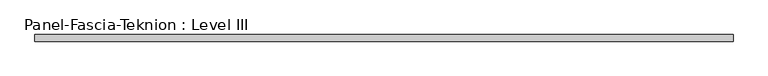
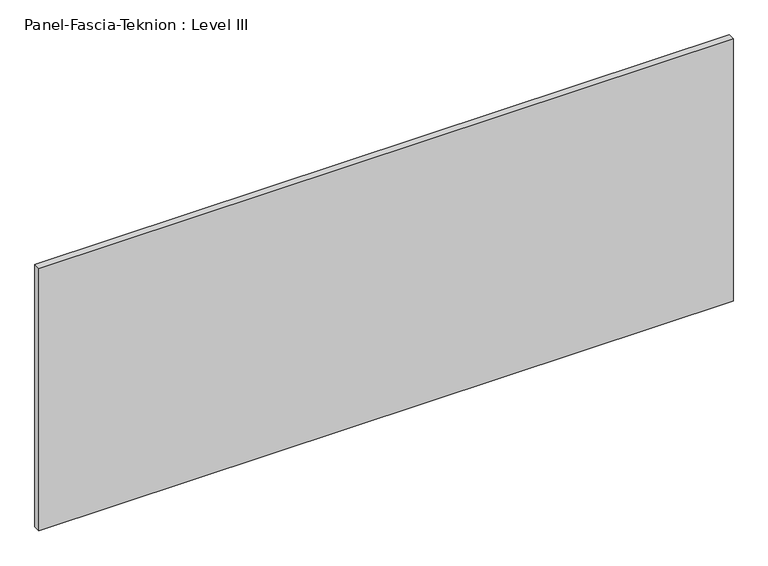
"""IFC4 building model written with IfcOpenShell, lengths in millimetres: proxy geometry, Panel-Fascia-Teknion : Level III."""

from ifc_helpers import new_model, si_unit, frame, origin, place, context, project, spatial, polyline, outline, extrude, source, transform, mapped, element, save


def panel_fascia_teknion_level_iii_34db1994(model_context):
    return source(origin(), model_context, "Body", "SweptSolid", [
        extrude(outline(polyline([(1005.8356344, -9.525), (-1005.8356344, -9.525), (-1005.8356344, 9.525), (1005.8356344, 9.525), (1005.8356344, -9.525)])), frame((0.0, 0.0, 3.175), z_axis=(0.0, 0.0, 1.0), x_axis=(1.0, 0.0, 0.0)), (0.0, 0.0, 1.0), 804.418),
    ])


if __name__ == "__main__":
    model = new_model("IFC4")
    model_context = context("Model", 3, world=origin())
    ifc_project = project(units=[si_unit("LENGTHUNIT", "METRE", prefix="MILLI")], contexts=[model_context])
    site = spatial("IfcSite", under=ifc_project)
    building = spatial("IfcBuilding", under=site)
    placement = place(None, origin())
    panel_fascia_teknion_level_iii_shape = panel_fascia_teknion_level_iii_34db1994(model_context)
    element("IfcBuildingElementProxy", 1, Name="Panel-Fascia-Teknion : Level III", ObjectType="Panel-Fascia-Teknion : Level III", at=placement, inside=building, context=model_context, shape_type="MappedRepresentation", body=[
        mapped(panel_fascia_teknion_level_iii_shape, transform((0.0, 0.0, 0.0), x_axis=(1.0, 0.0, 0.0), y_axis=(0.0, 1.0, 0.0), z_axis=(0.0, 0.0, 1.0))),
    ])
    save(model, "model.ifc")
